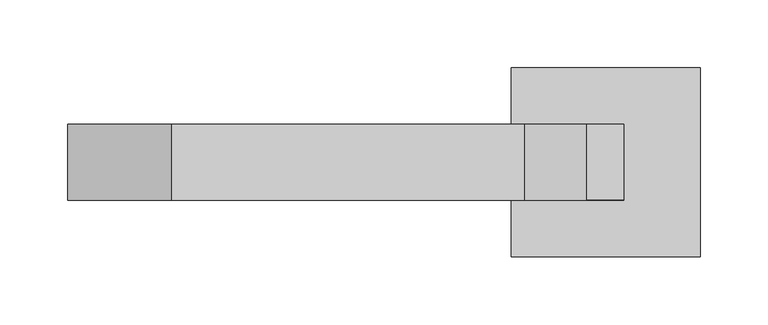
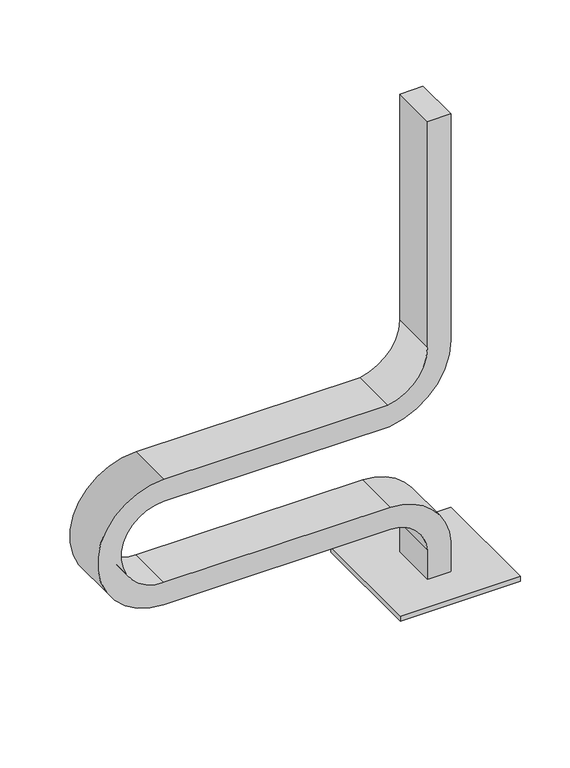
"""IFC4 building model written with IfcOpenShell, lengths in millimetres: furniture geometry."""

import ifcopenshell
import ifcopenshell.guid

model = None  # the IFC model being written
_history = None  # IfcOwnerHistory: only IFC2X3 demands one
_inside = {}  # id of a spatial element -> (the spatial element, [elements in it])
_under = {}  # id of a project, library or spatial element -> (it, [spatial elements below it])
_declared = {}  # id of a project -> (the project, [libraries it declares])
_typed = {}  # id of a type object -> (the type object, [elements of that type])
_made_of = {}  # id of a material, layer set ... -> (it, [elements and type objects made of it])


def new_model(schema):
    """Start an empty IFC model of exactly this schema.

    Asked for "IFC4X3", IfcOpenShell would pick the latest addendum, in which some entities
    have other attributes; the version numbers below select the first issue.
    IFC2X3 requires an IfcOwnerHistory on every rooted entity: one is made here for all.
    """
    global model, _history
    if schema == "IFC4X3":
        model = ifcopenshell.file(schema_version=(4, 3, 0, 0))
    else:
        model = ifcopenshell.file(schema=schema)
    _inside.clear()
    _under.clear()
    _declared.clear()
    _typed.clear()
    _made_of.clear()
    _history = None
    if model.schema == "IFC2X3":
        org = make("IfcOrganization", Name="unknown")
        user = make(
            "IfcPersonAndOrganization",
            ThePerson=make("IfcPerson", FamilyName="unknown"),
            TheOrganization=org,
        )
        app = make(
            "IfcApplication",
            ApplicationDeveloper=org,
            Version="unknown",
            ApplicationFullName="unknown",
            ApplicationIdentifier="unknown",
        )
        _history = make(
            "IfcOwnerHistory",
            OwningUser=user,
            OwningApplication=app,
            ChangeAction="ADDED",
            CreationDate=0,
        )
    return model


def make(cls, **values):
    """One entity of the class cls with the attributes given. An attribute that is None is left unset."""
    return model.create_entity(
        cls, **{name: value for name, value in values.items() if value is not None}
    )


def rooted(cls, **values):
    """An entity with a GlobalId (a new one), such as an element, a storey or a relation."""
    return make(cls, GlobalId=ifcopenshell.guid.new(), OwnerHistory=_history, **values)


def si_unit(unit_type, name, prefix=None):
    """IfcSIUnit, for example si_unit("LENGTHUNIT", "METRE", prefix="MILLI")."""
    return make("IfcSIUnit", UnitType=unit_type, Prefix=prefix, Name=name)


def assignment(units):
    """IfcUnitAssignment: the units of a project."""
    return None if units is None else make("IfcUnitAssignment", Units=units)


def point(xyz):
    """IfcCartesianPoint."""
    return None if xyz is None else make("IfcCartesianPoint", Coordinates=xyz)


def direction(xyz):
    """IfcDirection."""
    return None if xyz is None else make("IfcDirection", DirectionRatios=xyz)


def frame(location, z_axis=None, x_axis=None):
    """IfcAxis2Placement3D, a coordinate frame: its origin and axes. An axis left out is left unset."""
    return make(
        "IfcAxis2Placement3D",
        Location=point(location),
        Axis=direction(z_axis),
        RefDirection=direction(x_axis),
    )


def frame_2d(location, x_axis=None):
    """IfcAxis2Placement2D, a coordinate frame in the plane: its origin and x axis."""
    return make(
        "IfcAxis2Placement2D", Location=point(location), RefDirection=direction(x_axis)
    )


def origin():
    """The frame at (0, 0, 0) with its axes left unset."""
    return frame((0.0, 0.0, 0.0))


def origin_with_axes():
    """The frame at (0, 0, 0) with the z axis (0, 0, 1) and the x axis (1, 0, 0) written out."""
    return frame((0.0, 0.0, 0.0), z_axis=(0.0, 0.0, 1.0), x_axis=(1.0, 0.0, 0.0))


def place(relative_to, where):
    """IfcLocalPlacement: puts the frame where relative to a parent placement (None: the world)."""
    return make(
        "IfcLocalPlacement", PlacementRelTo=relative_to, RelativePlacement=where
    )


def context(
    kind, dimensions, precision=None, world=None, true_north=None, identifier=None
):
    """IfcGeometricRepresentationContext, for example the 3D "Model" context."""
    return make(
        "IfcGeometricRepresentationContext",
        ContextIdentifier=identifier,
        ContextType=kind,
        CoordinateSpaceDimension=dimensions,
        Precision=precision,
        WorldCoordinateSystem=world,
        TrueNorth=true_north,
    )


def project(units=None, contexts=None):
    """IfcProject with its units and contexts."""
    return rooted(
        "IfcProject",
        Name="project",
        RepresentationContexts=contexts,
        UnitsInContext=assignment(units),
    )


def spatial(cls, under=None, at=None, **own):
    """A site, building, storey or space (cls), placed at a placement, below another one or the project."""
    s = rooted(cls, ObjectPlacement=at, **own)
    if under is not None:
        _under.setdefault(under.id(), (under, []))[1].append(s)
    return s


def polyline(points):
    """IfcPolyline through the points."""
    return make("IfcPolyline", Points=[point(p) for p in points])


def circle_curve(where, radius):
    """IfcCircle in the frame where."""
    return make("IfcCircle", Position=where, Radius=radius)


def trimmed(basis, trim1, trim2, sense, master):
    """IfcTrimmedCurve: the piece of a basis curve between two trims."""
    return make(
        "IfcTrimmedCurve",
        BasisCurve=basis,
        Trim1=trim1,
        Trim2=trim2,
        SenseAgreement=sense,
        MasterRepresentation=master,
    )


def segment(curve, same_sense, transition):
    """IfcCompositeCurveSegment."""
    return make(
        "IfcCompositeCurveSegment",
        Transition=transition,
        SameSense=same_sense,
        ParentCurve=curve,
    )


def composite_curve(segments, self_intersect=None):
    """IfcCompositeCurve: segments joined end to end."""
    return make("IfcCompositeCurve", Segments=segments, SelfIntersect=self_intersect)


def outline(outer, holes=None, kind="AREA"):
    """IfcArbitraryClosedProfileDef: a profile drawn as a closed curve; with holes, ...WithVoids."""
    if holes is None:
        return make("IfcArbitraryClosedProfileDef", ProfileType=kind, OuterCurve=outer)
    return make(
        "IfcArbitraryProfileDefWithVoids",
        ProfileType=kind,
        OuterCurve=outer,
        InnerCurves=holes,
    )


def extrude(swept, where, along, depth):
    """IfcExtrudedAreaSolid: the profile swept, set in the frame where, extruded along a direction by depth."""
    return make(
        "IfcExtrudedAreaSolid",
        SweptArea=swept,
        Position=where,
        ExtrudedDirection=direction(along),
        Depth=depth,
    )


def shape(context_of_items, identifier, shape_type, items):
    """IfcShapeRepresentation: the items that make up one representation, for example the "Body"."""
    return make(
        "IfcShapeRepresentation",
        ContextOfItems=context_of_items,
        RepresentationIdentifier=identifier,
        RepresentationType=shape_type,
        Items=items,
    )


def source(mapping_origin, context_of_items, identifier, shape_type, items):
    """IfcRepresentationMap: a shape defined once, which mapped items show again and again."""
    return make(
        "IfcRepresentationMap",
        MappingOrigin=mapping_origin,
        MappedRepresentation=shape(context_of_items, identifier, shape_type, items),
    )


def transform(
    local_origin,
    x_axis=None,
    y_axis=None,
    z_axis=None,
    scale=None,
    scale2=None,
    scale3=None,
    uniform=True,
):
    """IfcCartesianTransformationOperator3D, or its non-uniform kind. x_axis, y_axis, z_axis: its Axis1, 2, 3."""
    if uniform:
        return make(
            "IfcCartesianTransformationOperator3D",
            Axis1=direction(x_axis),
            Axis2=direction(y_axis),
            LocalOrigin=point(local_origin),
            Scale=scale,
            Axis3=direction(z_axis),
        )
    return make(
        "IfcCartesianTransformationOperator3DnonUniform",
        Axis1=direction(x_axis),
        Axis2=direction(y_axis),
        LocalOrigin=point(local_origin),
        Scale=scale,
        Axis3=direction(z_axis),
        Scale2=scale2,
        Scale3=scale3,
    )


def mapped(mapping_source, mapping_target):
    """IfcMappedItem: shows the shape of a source again, moved by a transform."""
    return make(
        "IfcMappedItem", MappingSource=mapping_source, MappingTarget=mapping_target
    )


def made_of(thing, what):
    """Note that an element or type object is made of a material, layer set ...; save() writes the relation."""
    if what is not None:
        _made_of.setdefault(what.id(), (what, []))[1].append(thing)
    return thing


def element(
    cls,
    number,
    at=None,
    inside=None,
    cuts=None,
    type_object=None,
    material=None,
    context=None,
    identifier="Body",
    shape_type=None,
    held_by="IfcProductDefinitionShape",
    body=None,
    shapes=None,
    **own,
):
    """One element of the class cls, such as IfcWall. Its Tag is "e" and its number.

    at: its placement. inside: the storey or other place that contains it. cuts: it is an
    opening in that element (IfcRelVoidsElement). A single representation is given by context,
    identifier, shape_type and body (its items); several are given by shapes. held_by: the class
    of the entity that holds the representations. save() writes the other relations.
    """
    e = rooted(cls, Tag="e%d" % number, ObjectPlacement=at, **own)
    if body is not None:
        shapes = [shape(context, identifier, shape_type, body)]
    if shapes is not None:
        e.Representation = make(held_by, Representations=shapes)
    if inside is not None:
        _inside.setdefault(inside.id(), (inside, []))[1].append(e)
    if cuts is not None:
        rooted(
            "IfcRelVoidsElement", RelatingBuildingElement=cuts, RelatedOpeningElement=e
        )
    if type_object is not None:
        _typed.setdefault(type_object.id(), (type_object, []))[1].append(e)
    return made_of(e, material)


def aggregate(whole, parts):
    """IfcRelAggregates: a whole, such as a stair, and the parts it consists of."""
    return rooted("IfcRelAggregates", RelatingObject=whole, RelatedObjects=parts)


def save(model, path):
    """Write the relations noted so far, then the file.

    IfcRelAggregates (storeys below a building ...), IfcRelContainedInSpatialStructure (elements
    in a storey), IfcRelDefinesByType, IfcRelAssociatesMaterial and IfcRelDeclares: one each for
    every whole, place, type object, material and project.
    """
    for whole, parts in _under.values():
        aggregate(whole, parts)
    for where, things in _inside.values():
        rooted(
            "IfcRelContainedInSpatialStructure",
            RelatedElements=things,
            RelatingStructure=where,
        )
    for kind, things in _typed.values():
        rooted("IfcRelDefinesByType", RelatedObjects=things, RelatingType=kind)
    for what, things in _made_of.values():
        rooted("IfcRelAssociatesMaterial", RelatedObjects=things, RelatingMaterial=what)
    for by, libraries in _declared.values():
        rooted("IfcRelDeclares", RelatingContext=by, RelatedDefinitions=libraries)
    model.write(path)


def plane_surface(at):
    """IfcPlane: the flat surface through the origin of the frame at, square to its z axis."""
    return make("IfcPlane", Position=at)


def cylinder_surface(at, radius):
    """IfcCylindricalSurface: all points at the distance radius from the z axis of the frame at."""
    return make("IfcCylindricalSurface", Position=at, Radius=radius)


def revolved_surface(curve, axis_point, axis_direction):
    """IfcSurfaceOfRevolution: the curve turned about the line through axis_point along axis_direction."""
    return make(
        "IfcSurfaceOfRevolution",
        SweptCurve=make("IfcArbitraryOpenProfileDef", ProfileType="CURVE", Curve=curve),
        AxisPosition=make("IfcAxis1Placement", Location=point(axis_point), Axis=direction(axis_direction)),
    )


def advanced_brep(points, edges, surfaces, faces):
    """IfcAdvancedBrep: a solid bounded by faces that lie on surfaces and meet in shared edges.

    An edge is (start, end): straight between two places in points (the first is 0);
    or (start, end, curve); or (start, end, curve, False) where it runs against its curve.
    A face is (place in surfaces, loops), or (place, loops, False) where it looks against
    its surface's normal. A loop lists edges by number (the first is 1), with a minus sign
    where the edge is run from its end to its start. The first loop is the outer one.
    """
    corners = [point(p) for p in points]
    vertices = [make("IfcVertexPoint", VertexGeometry=c) for c in corners]
    made = []
    for start, end, *more in edges:
        made.append(
            make(
                "IfcEdgeCurve",
                EdgeStart=vertices[start],
                EdgeEnd=vertices[end],
                EdgeGeometry=more[0] if more else make("IfcPolyline", Points=[corners[start], corners[end]]),
                SameSense=more[1] if len(more) > 1 else True,
            )
        )
    hull = []
    for where, loops, *sense in faces:
        bounds = []
        for j, loop in enumerate(loops):
            ring = [make("IfcOrientedEdge", EdgeElement=made[abs(k) - 1], Orientation=k > 0) for k in loop]
            bounds.append(
                make(
                    "IfcFaceOuterBound" if j == 0 else "IfcFaceBound",
                    Bound=make("IfcEdgeLoop", EdgeList=ring),
                    Orientation=True,
                )
            )
        hull.append(make("IfcAdvancedFace", Bounds=bounds, FaceSurface=surfaces[where], SameSense=sense[0] if sense else True))
    return make("IfcAdvancedBrep", Outer=make("IfcClosedShell", CfsFaces=hull))


def furniture_9afee83e(model_context):
    return source(origin(), model_context, "Body", "SolidModel", [
        extrude(outline(composite_curve([segment(trimmed(circle_curve(frame_2d((363.6014244, 58.0553319)), 4.978544), [point((358.6228804, 58.0553319))], [point((368.5799684, 58.0553319))], False, "CARTESIAN"), True, "CONTINUOUS"), segment(trimmed(circle_curve(frame_2d((363.6014244, 58.0553319)), 4.978544), [point((368.5799684, 58.0553319))], [point((358.6228804, 58.0553319))], False, "CARTESIAN"), True, "CONTINUOUS")], self_intersect=False)), origin_with_axes(), (0.0, 0.0, 1.0), 5.0),
        extrude(outline(composite_curve([segment(trimmed(circle_curve(frame_2d((479.5288601, 58.0553319)), 4.978544), [point((474.5503161, 58.0553319))], [point((484.5074041, 58.0553319))], False, "CARTESIAN"), True, "CONTINUOUS"), segment(trimmed(circle_curve(frame_2d((479.5288601, 58.0553319)), 4.978544), [point((484.5074041, 58.0553319))], [point((474.5503161, 58.0553319))], False, "CARTESIAN"), True, "CONTINUOUS")], self_intersect=False)), origin_with_axes(), (0.0, 0.0, 1.0), 5.0),
        extrude(outline(composite_curve([segment(trimmed(circle_curve(frame_2d((363.6014244, -58.0553319)), 4.978544), [point((358.6228804, -58.0553319))], [point((368.5799684, -58.0553319))], False, "CARTESIAN"), True, "CONTINUOUS"), segment(trimmed(circle_curve(frame_2d((363.6014244, -58.0553319)), 4.978544), [point((368.5799684, -58.0553319))], [point((358.6228804, -58.0553319))], False, "CARTESIAN"), True, "CONTINUOUS")], self_intersect=False)), origin_with_axes(), (0.0, 0.0, 1.0), 5.0),
        extrude(outline(composite_curve([segment(trimmed(circle_curve(frame_2d((479.5288601, -58.0553319)), 4.978544), [point((474.5503161, -58.0553319))], [point((484.5074041, -58.0553319))], False, "CARTESIAN"), True, "CONTINUOUS"), segment(trimmed(circle_curve(frame_2d((479.5288601, -58.0553319)), 4.978544), [point((484.5074041, -58.0553319))], [point((474.5503161, -58.0553319))], False, "CARTESIAN"), True, "CONTINUOUS")], self_intersect=False)), origin_with_axes(), (0.0, 0.0, 1.0), 5.0),
        extrude(outline(polyline([(491.5651422, 70.0), (491.5651422, -70.0), (351.5651422, -70.0), (351.5651422, 70.0), (491.5651422, 70.0)])), frame((0.0, 0.0, 5.0), z_axis=(0.0, 0.0, 1.0), x_axis=(1.0, 0.0, 0.0)), (0.0, 0.0, 1.0), 6.0),
        advanced_brep(
        [(407.4659958, -27.9558153, 11.0), (407.4659958, 27.9558153, 11.0), (434.6579977, 27.9558153, 11.0), (434.6579977, -27.9558153, 11.0), (407.4659958, -27.9558153, 47.0524338), (407.4659958, 27.9558153, 47.0524338), (434.6579977, 27.9558153, 47.8147532), (434.6579977, -27.9558153, 47.8147532), (364.2877871, 27.9558153, 87.9015784), (364.2877871, -27.9558153, 87.9015784), (364.5139261, -27.9558153, 115.0926399), (364.5139261, 27.9558153, 115.0926399), (100.0, -27.9558153, 87.9010908), (100.0, 27.9558153, 87.9010908), (100.0, 27.9558153, 115.0930927), (100.0, -27.9558153, 115.0930927), (100.0, 27.9558153, 242.0989092), (100.0, -27.9558153, 242.0989092), (100.0, -27.9558153, 214.9069073), (100.0, 27.9558153, 214.9069073), (361.030676, -27.9558153, 242.0989092), (361.030676, 27.9558153, 242.0989092), (363.035284, 27.9558153, 214.9069073), (363.035284, -27.9558153, 214.9069073), (407.4662582, 27.9558153, 296.4787195), (407.4662582, -27.9558153, 296.4787195), (434.6577414, 27.9558153, 296.3107738), (407.4659893, 27.9558153, 575.0), (434.6579912, 27.9558153, 575.0), (434.6577414, -27.9558153, 296.3107738), (434.6579912, -27.9558153, 575.0), (407.4659893, -27.9558153, 575.0)],
        [
            (0, 1),
            (1, 2),
            (2, 3),
            (3, 0),
            (0, 4),
            (4, 5),
            (5, 1),
            (2, 6),
            (6, 7),
            (7, 3),
            (8, 5, circle_curve(frame((363.9249463, 27.9558153, 44.2734439), z_axis=(0.0, 1.0, 0.0), x_axis=(0.9984653379141396, 0.0, 0.055380221956967894)), 43.6296433)),
            (4, 9, circle_curve(frame((363.9249463, -27.9558153, 44.2734439), z_axis=(0.0, -1.0, 0.0), x_axis=(0.9984653379141396, 0.0, 0.055380221956967894)), 43.6296433)),
            (9, 8),
            (10, 7, circle_curve(frame((363.9249463, -27.9558153, 44.2734439), z_axis=(0.0, 1.0, 0.0), x_axis=(0.9984653379141396, 0.0, 0.055380221956967894)), 70.8216452)),
            (6, 11, circle_curve(frame((363.9249463, 27.9558153, 44.2734439), z_axis=(0.0, -1.0, 0.0), x_axis=(0.9984653379141396, 0.0, 0.055380221956967894)), 70.8216452)),
            (11, 10),
            (9, 12),
            (12, 13),
            (13, 8),
            (11, 14),
            (14, 15),
            (15, 10),
            (16, 13, circle_curve(frame((100.0, 27.9558153, 165.0), z_axis=(0.0, -1.0, 0.0), x_axis=(0.0, 0.0, -1.0)), 77.0989092)),
            (12, 17, circle_curve(frame((100.0, -27.9558153, 165.0), z_axis=(0.0, 1.0, 0.0), x_axis=(0.0, 0.0, -1.0)), 77.0989092)),
            (17, 16),
            (18, 15, circle_curve(frame((100.0, -27.9558153, 165.0), z_axis=(0.0, -1.0, 0.0), x_axis=(0.0, 0.0, -1.0)), 49.9069073)),
            (14, 19, circle_curve(frame((100.0, 27.9558153, 165.0), z_axis=(0.0, 1.0, 0.0), x_axis=(0.0, 0.0, -1.0)), 49.9069073)),
            (19, 18),
            (17, 20),
            (20, 21),
            (21, 16),
            (19, 22),
            (22, 23),
            (23, 18),
            (24, 21, circle_curve(frame((352.0057463, 27.9558153, 296.8212662), z_axis=(0.0, 1.0, 0.0), x_axis=(0.14539904125885225, 0.0, -0.989373093833164)), 55.4615697)),
            (20, 25, circle_curve(frame((352.0057463, -27.9558153, 296.8212662), z_axis=(0.0, -1.0, 0.0), x_axis=(0.14539904125885225, 0.0, -0.989373093833164)), 55.4615697)),
            (25, 24),
            (26, 22, circle_curve(frame((352.0057463, 27.9558153, 296.8212662), z_axis=(0.0, 1.0, 0.0), x_axis=(0.14539904125885225, 0.0, -0.989373093833164)), 82.6535716)),
            (24, 27),
            (27, 28),
            (28, 26),
            (29, 23, circle_curve(frame((352.0057463, -27.9558153, 296.8212662), z_axis=(0.0, 1.0, 0.0), x_axis=(0.14539904125885225, 0.0, -0.989373093833164)), 82.6535716)),
            (26, 29),
            (29, 30),
            (30, 31),
            (31, 25),
            (30, 28),
            (27, 31),
        ],
        [
            plane_surface(frame((421.564905, 0.0, 11.0), z_axis=(0.0, 0.0, -1.0), x_axis=(0.0, -1.0, 0.0))),
            plane_surface(frame((407.4659958, -27.9558153, 11.0), z_axis=(-1.0, 0.0, 0.0), x_axis=(0.0, 0.0, 1.0))),
            plane_surface(frame((434.6579977, 27.9558153, 11.0), z_axis=(1.0, 0.0, 0.0), x_axis=(0.0, 0.0, 1.0))),
            revolved_surface(polyline([(407.4876328406079, -27.9558153, 46.68966322985733), (407.4876328406079, 27.9558153, 46.68966322985733)]), (363.9249463, 0.0, 44.2734439), (0.0, -1.0, 0.0)),
            cylinder_surface(frame((363.9249463, 0.0, 44.2734439), z_axis=(0.0, -1.0, 0.0), x_axis=(0.9984653379141396, 0.0, 0.055380221956967894)), 70.8216452),
            plane_surface(frame((364.287783, -27.9558153, 87.9010908), z_axis=(0.0, 0.0, -1.0), x_axis=(-1.0, 0.0, 0.0))),
            plane_surface(frame((364.5139299, 27.9558153, 115.0930927), z_axis=(0.0, 0.0, 1.0), x_axis=(-1.0, 0.0, 0.0))),
            cylinder_surface(frame((100.0, 0.0, 165.0), z_axis=(0.0, 1.0, 0.0), x_axis=(0.0, 0.0, -1.0)), 77.0989092),
            revolved_surface(polyline([(100.0, 27.9558153, 115.0930927), (100.0, -27.9558153, 115.0930927)]), (100.0, 0.0, 165.0), (0.0, 1.0, 0.0)),
            plane_surface(frame((100.0, -27.9558153, 242.0989092), z_axis=(0.0, 0.0, 1.0), x_axis=(1.0, 0.0, 0.0))),
            plane_surface(frame((100.0, 27.9558153, 214.9069073), z_axis=(0.0, 0.0, -1.0), x_axis=(1.0, 0.0, 0.0))),
            revolved_surface(polyline([(360.069805361091, -27.9558153, 241.94908139706735), (360.069805361091, 27.9558153, 241.94908139706735)]), (352.0057463, 0.0, 296.8212662), (0.0, -1.0, 0.0)),
            plane_surface(frame((352.0057463, 27.9558153, 296.8212662), z_axis=(0.0, 1.0, 0.0), x_axis=(0.14539904125885225, 0.0, -0.989373093833164))),
            cylinder_surface(frame((352.0057463, 0.0, 296.8212662), z_axis=(0.0, -1.0, 0.0), x_axis=(0.14539904125885225, 0.0, -0.989373093833164)), 82.6535716),
            plane_surface(frame((352.0057463, -27.9558153, 296.8212662), z_axis=(0.0, -1.0, 0.0), x_axis=(0.14539904125885225, 0.0, -0.989373093833164))),
            plane_surface(frame((421.5648985, 0.0, 575.0), z_axis=(0.0, 0.0, 1.0), x_axis=(0.0, -1.0, 0.0))),
            plane_surface(frame((407.4659893, -27.9558153, 296.4787211), z_axis=(-1.0, 0.0, 0.0), x_axis=(0.0, 0.0, 1.0))),
            plane_surface(frame((434.6579912, 27.9558153, 296.3107723), z_axis=(1.0, 0.0, 0.0), x_axis=(0.0, 0.0, 1.0))),
        ],
        [
            (0, [[1, 2, 3, 4]]),
            (1, [[-1, 5, 6, 7]]),
            (2, [[-3, 8, 9, 10]]),
            (3, [[11, -6, 12, 13]]),
            (4, [[14, -9, 15, 16]]),
            (5, [[-13, 17, 18, 19]]),
            (6, [[-16, 20, 21, 22]]),
            (7, [[23, -18, 24, 25]]),
            (8, [[26, -21, 27, 28]]),
            (9, [[-25, 29, 30, 31]]),
            (10, [[-28, 32, 33, 34]]),
            (11, [[35, -30, 36, 37]]),
            (12, [[38, -32, -27, -20, -15, -8, -2, -7, -11, -19, -23, -31, -35, 39, 40, 41]]),
            (13, [[42, -33, -38, 43]]),
            (14, [[-36, -29, -24, -17, -12, -5, -4, -10, -14, -22, -26, -34, -42, 44, 45, 46]]),
            (15, [[-45, 47, -40, 48]]),
            (16, [[-37, -46, -48, -39]]),
            (17, [[-43, -41, -47, -44]]),
        ],
    ),
    ])


if __name__ == "__main__":
    model = new_model("IFC4")
    model_context = context("Model", 3, world=origin())
    ifc_project = project(units=[si_unit("LENGTHUNIT", "METRE", prefix="MILLI")], contexts=[model_context])
    site = spatial("IfcSite", under=ifc_project)
    building = spatial("IfcBuilding", under=site)
    placement = place(None, origin())
    furniture_shape = furniture_9afee83e(model_context)
    element("IfcFurniture", 1, at=placement, inside=building, context=model_context, shape_type="MappedRepresentation", body=[
        mapped(furniture_shape, transform((0.0, 0.0, 0.0), x_axis=(1.0, 0.0, 0.0), y_axis=(0.0, 1.0, 0.0), z_axis=(0.0, 0.0, 1.0))),
    ])
    save(model, "model.ifc")
